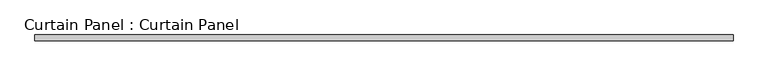
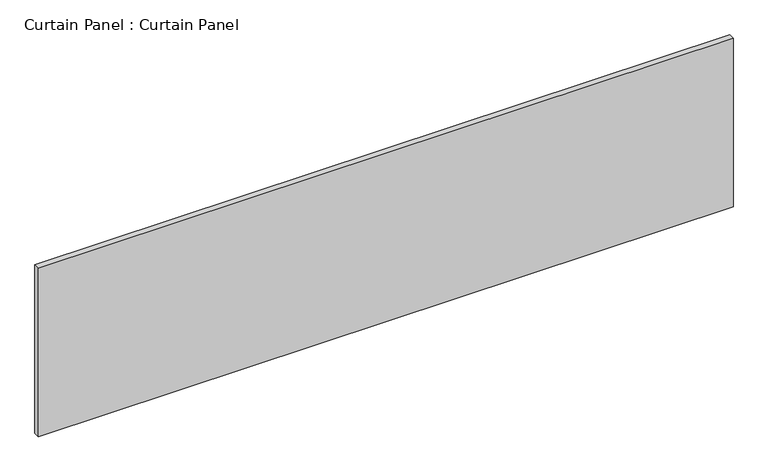
"""IFC4 building model written with IfcOpenShell, lengths in millimetres: plate geometry, Curtain Panel : Curtain Panel."""

from ifc_helpers import new_model, si_unit, frame, origin, place, context, project, spatial, polyline, outline, extrude, source, transform, mapped, element, save


def curtain_panel_curtain_panel_bed1f0df(model_context):
    return source(origin(), model_context, "Body", "SweptSolid", [
        extrude(outline(polyline([(-120704.3555895, -9130.4431787), (-123717.4305895, -9130.4431787), (-123717.4305895, -9105.0431787), (-120704.3555895, -9105.0431787), (-120704.3555895, -9130.4431787)])), frame((0.0, 0.0, 3117.453125), z_axis=(0.0, 0.0, 1.0), x_axis=(1.0, 0.0, 0.0)), (0.0, 0.0, 1.0), 772.2850477),
    ])


if __name__ == "__main__":
    model = new_model("IFC4")
    model_context = context("Model", 3, world=origin())
    ifc_project = project(units=[si_unit("LENGTHUNIT", "METRE", prefix="MILLI")], contexts=[model_context])
    site = spatial("IfcSite", under=ifc_project)
    building = spatial("IfcBuilding", under=site)
    placement = place(None, origin())
    curtain_panel_curtain_panel_shape = curtain_panel_curtain_panel_bed1f0df(model_context)
    element("IfcPlate", 1, ObjectType="Curtain Panel : Curtain Panel", at=placement, inside=building, context=model_context, shape_type="MappedRepresentation", body=[
        mapped(curtain_panel_curtain_panel_shape, transform((0.0, 0.0, 0.0), x_axis=(1.0, 0.0, 0.0), y_axis=(0.0, 1.0, 0.0), z_axis=(0.0, 0.0, 1.0))),
    ])
    save(model, "model.ifc")
